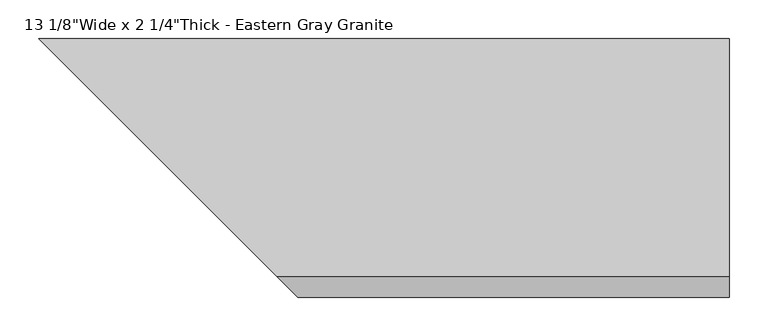
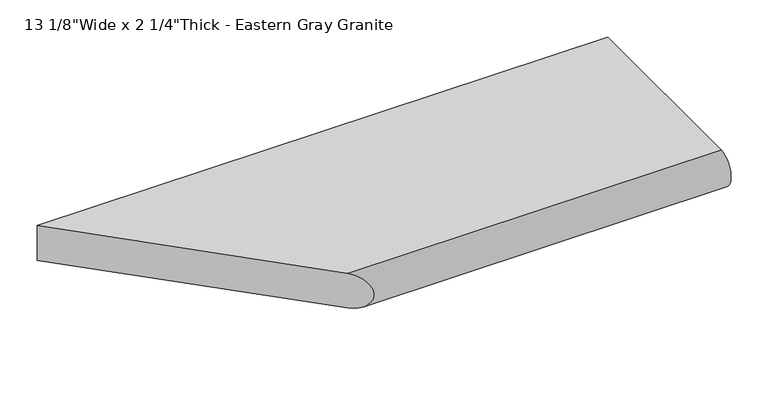
"""IFC4 building model written with IfcOpenShell, lengths in millimetres: proxy geometry."""

from ifc_helpers import new_model, si_unit, frame, origin, place, context, project, spatial, circle_curve, ellipse_curve, source, transform, mapped, element, save
from ifc_brep_helpers import plane_surface, cylinder_surface, advanced_brep


def proxy_39cca322(model_context):
    return source(origin(), model_context, "Body", "AdvancedBrep", [
        advanced_brep(
        [(889.0, -307.18125, 0.0), (889.0, 0.0, 0.0), (889.0, 0.0, 57.15), (889.0, -307.18125, 57.15), (307.18125, -307.18125, 57.15), (307.18125, -307.18125, 0.0), (0.0, 0.0, 57.15), (0.0, 0.0, 0.0)],
        [
            (0, 1),
            (1, 2),
            (2, 3),
            (3, 0, circle_curve(frame((889.0, -304.6812614, 28.575), z_axis=(1.0, 0.0, 0.0), x_axis=(0.0, -1.0, 0.0)), 28.6841519)),
            (3, 4),
            (4, 5, ellipse_curve(frame((304.6812614, -304.6812614, 28.575), z_axis=(0.7071067811865491, 0.7071067811865459, 0.0), x_axis=(-0.7071067811865459, 0.707106781186549, 0.0)), 40.5655166, 28.6841519)),
            (5, 0),
            (2, 6),
            (6, 4),
            (1, 7),
            (7, 6),
            (5, 7),
        ],
        [
            plane_surface(frame((889.0, -333.3654133, 28.575), z_axis=(1.0, 0.0, 0.0), x_axis=(0.0, 0.0, -1.0))),
            cylinder_surface(frame((889.0, -304.6812614, 28.575), z_axis=(-1.0, 0.0, 0.0), x_axis=(0.0, -1.0, 0.0)), 28.6841519),
            plane_surface(frame((0.0, -307.18125, 57.15), z_axis=(0.0, 0.0, 1.0), x_axis=(1.0, 0.0, 0.0))),
            plane_surface(frame((0.0, 0.0, 57.15), z_axis=(0.0, 1.0, 0.0), x_axis=(1.0, 0.0, 0.0))),
            plane_surface(frame((0.0, 0.0, 0.0), z_axis=(0.0, 0.0, -1.0), x_axis=(1.0, 0.0, 0.0))),
            plane_surface(frame((342.9, -342.9, 76.2), z_axis=(-0.7071067811865491, -0.7071067811865459, 0.0), x_axis=(0.0, 0.0, -1.0))),
        ],
        [
            (0, [[1, 2, 3, 4]]),
            (1, [[-4, 5, 6, 7]]),
            (2, [[-3, 8, 9, -5]]),
            (3, [[-2, 10, 11, -8]]),
            (4, [[-1, -7, 12, -10]]),
            (5, [[-6, -9, -11, -12]]),
        ],
    ),
    ])


if __name__ == "__main__":
    model = new_model("IFC4")
    model_context = context("Model", 3, world=origin())
    ifc_project = project(units=[si_unit("LENGTHUNIT", "METRE", prefix="MILLI")], contexts=[model_context])
    site = spatial("IfcSite", under=ifc_project)
    building = spatial("IfcBuilding", under=site)
    placement = place(None, origin())
    proxy_shape = proxy_39cca322(model_context)
    element("IfcBuildingElementProxy", 1, Name="13 1/8\"Wide x 2 1/4\"Thick - Eastern Gray Granite", ObjectType="13 1/8\"Wide x 2 1/4\"Thick - Eastern Gray Granite", at=placement, inside=building, context=model_context, shape_type="MappedRepresentation", body=[
        mapped(proxy_shape, transform((0.0, 0.0, 0.0), x_axis=(1.0, 0.0, 0.0), y_axis=(0.0, 1.0, 0.0), z_axis=(0.0, 0.0, 1.0))),
    ])
    save(model, "model.ifc")
